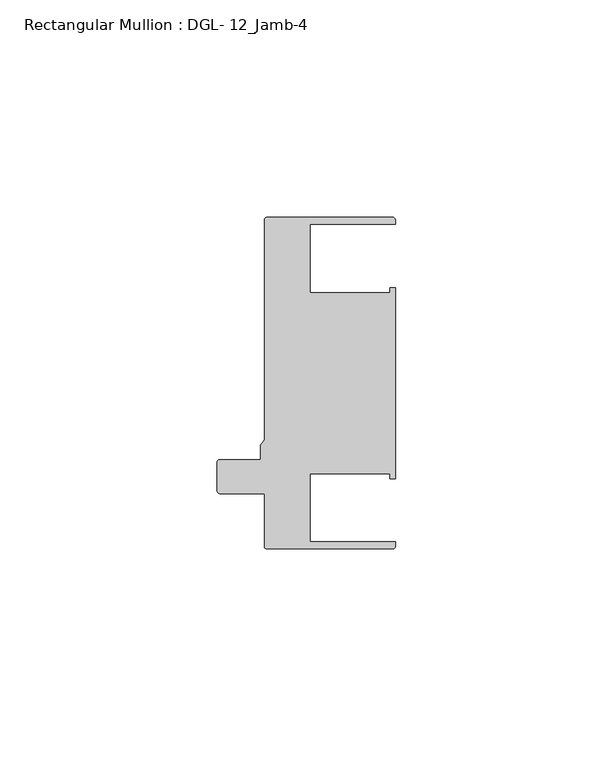
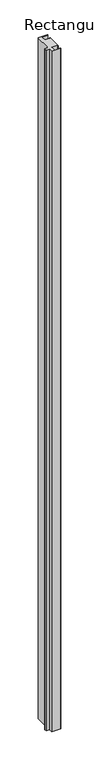
"""IFC4 building model written with IfcOpenShell, lengths in millimetres: member geometry, Rectangular Mullion : DGL- 12_Jamb-4."""

import ifcopenshell
import ifcopenshell.guid

model = None  # the IFC model being written
_history = None  # IfcOwnerHistory: only IFC2X3 demands one
_inside = {}  # id of a spatial element -> (the spatial element, [elements in it])
_under = {}  # id of a project, library or spatial element -> (it, [spatial elements below it])
_declared = {}  # id of a project -> (the project, [libraries it declares])
_typed = {}  # id of a type object -> (the type object, [elements of that type])
_made_of = {}  # id of a material, layer set ... -> (it, [elements and type objects made of it])


def new_model(schema):
    """Start an empty IFC model of exactly this schema.

    Asked for "IFC4X3", IfcOpenShell would pick the latest addendum, in which some entities
    have other attributes; the version numbers below select the first issue.
    IFC2X3 requires an IfcOwnerHistory on every rooted entity: one is made here for all.
    """
    global model, _history
    if schema == "IFC4X3":
        model = ifcopenshell.file(schema_version=(4, 3, 0, 0))
    else:
        model = ifcopenshell.file(schema=schema)
    _inside.clear()
    _under.clear()
    _declared.clear()
    _typed.clear()
    _made_of.clear()
    _history = None
    if model.schema == "IFC2X3":
        org = make("IfcOrganization", Name="unknown")
        user = make(
            "IfcPersonAndOrganization",
            ThePerson=make("IfcPerson", FamilyName="unknown"),
            TheOrganization=org,
        )
        app = make(
            "IfcApplication",
            ApplicationDeveloper=org,
            Version="unknown",
            ApplicationFullName="unknown",
            ApplicationIdentifier="unknown",
        )
        _history = make(
            "IfcOwnerHistory",
            OwningUser=user,
            OwningApplication=app,
            ChangeAction="ADDED",
            CreationDate=0,
        )
    return model


def make(cls, **values):
    """One entity of the class cls with the attributes given. An attribute that is None is left unset."""
    return model.create_entity(
        cls, **{name: value for name, value in values.items() if value is not None}
    )


def rooted(cls, **values):
    """An entity with a GlobalId (a new one), such as an element, a storey or a relation."""
    return make(cls, GlobalId=ifcopenshell.guid.new(), OwnerHistory=_history, **values)


def si_unit(unit_type, name, prefix=None):
    """IfcSIUnit, for example si_unit("LENGTHUNIT", "METRE", prefix="MILLI")."""
    return make("IfcSIUnit", UnitType=unit_type, Prefix=prefix, Name=name)


def assignment(units):
    """IfcUnitAssignment: the units of a project."""
    return None if units is None else make("IfcUnitAssignment", Units=units)


def point(xyz):
    """IfcCartesianPoint."""
    return None if xyz is None else make("IfcCartesianPoint", Coordinates=xyz)


def direction(xyz):
    """IfcDirection."""
    return None if xyz is None else make("IfcDirection", DirectionRatios=xyz)


def frame(location, z_axis=None, x_axis=None):
    """IfcAxis2Placement3D, a coordinate frame: its origin and axes. An axis left out is left unset."""
    return make(
        "IfcAxis2Placement3D",
        Location=point(location),
        Axis=direction(z_axis),
        RefDirection=direction(x_axis),
    )


def frame_2d(location, x_axis=None):
    """IfcAxis2Placement2D, a coordinate frame in the plane: its origin and x axis."""
    return make(
        "IfcAxis2Placement2D", Location=point(location), RefDirection=direction(x_axis)
    )


def origin():
    """The frame at (0, 0, 0) with its axes left unset."""
    return frame((0.0, 0.0, 0.0))


def place(relative_to, where):
    """IfcLocalPlacement: puts the frame where relative to a parent placement (None: the world)."""
    return make(
        "IfcLocalPlacement", PlacementRelTo=relative_to, RelativePlacement=where
    )


def context(
    kind, dimensions, precision=None, world=None, true_north=None, identifier=None
):
    """IfcGeometricRepresentationContext, for example the 3D "Model" context."""
    return make(
        "IfcGeometricRepresentationContext",
        ContextIdentifier=identifier,
        ContextType=kind,
        CoordinateSpaceDimension=dimensions,
        Precision=precision,
        WorldCoordinateSystem=world,
        TrueNorth=true_north,
    )


def project(units=None, contexts=None):
    """IfcProject with its units and contexts."""
    return rooted(
        "IfcProject",
        Name="project",
        RepresentationContexts=contexts,
        UnitsInContext=assignment(units),
    )


def spatial(cls, under=None, at=None, **own):
    """A site, building, storey or space (cls), placed at a placement, below another one or the project."""
    s = rooted(cls, ObjectPlacement=at, **own)
    if under is not None:
        _under.setdefault(under.id(), (under, []))[1].append(s)
    return s


def polyline(points):
    """IfcPolyline through the points."""
    return make("IfcPolyline", Points=[point(p) for p in points])


def circle_curve(where, radius):
    """IfcCircle in the frame where."""
    return make("IfcCircle", Position=where, Radius=radius)


def trimmed(basis, trim1, trim2, sense, master):
    """IfcTrimmedCurve: the piece of a basis curve between two trims."""
    return make(
        "IfcTrimmedCurve",
        BasisCurve=basis,
        Trim1=trim1,
        Trim2=trim2,
        SenseAgreement=sense,
        MasterRepresentation=master,
    )


def segment(curve, same_sense, transition):
    """IfcCompositeCurveSegment."""
    return make(
        "IfcCompositeCurveSegment",
        Transition=transition,
        SameSense=same_sense,
        ParentCurve=curve,
    )


def composite_curve(segments, self_intersect=None):
    """IfcCompositeCurve: segments joined end to end."""
    return make("IfcCompositeCurve", Segments=segments, SelfIntersect=self_intersect)


def outline(outer, holes=None, kind="AREA"):
    """IfcArbitraryClosedProfileDef: a profile drawn as a closed curve; with holes, ...WithVoids."""
    if holes is None:
        return make("IfcArbitraryClosedProfileDef", ProfileType=kind, OuterCurve=outer)
    return make(
        "IfcArbitraryProfileDefWithVoids",
        ProfileType=kind,
        OuterCurve=outer,
        InnerCurves=holes,
    )


def extrude(swept, where, along, depth):
    """IfcExtrudedAreaSolid: the profile swept, set in the frame where, extruded along a direction by depth."""
    return make(
        "IfcExtrudedAreaSolid",
        SweptArea=swept,
        Position=where,
        ExtrudedDirection=direction(along),
        Depth=depth,
    )


def shape(context_of_items, identifier, shape_type, items):
    """IfcShapeRepresentation: the items that make up one representation, for example the "Body"."""
    return make(
        "IfcShapeRepresentation",
        ContextOfItems=context_of_items,
        RepresentationIdentifier=identifier,
        RepresentationType=shape_type,
        Items=items,
    )


def source(mapping_origin, context_of_items, identifier, shape_type, items):
    """IfcRepresentationMap: a shape defined once, which mapped items show again and again."""
    return make(
        "IfcRepresentationMap",
        MappingOrigin=mapping_origin,
        MappedRepresentation=shape(context_of_items, identifier, shape_type, items),
    )


def transform(
    local_origin,
    x_axis=None,
    y_axis=None,
    z_axis=None,
    scale=None,
    scale2=None,
    scale3=None,
    uniform=True,
):
    """IfcCartesianTransformationOperator3D, or its non-uniform kind. x_axis, y_axis, z_axis: its Axis1, 2, 3."""
    if uniform:
        return make(
            "IfcCartesianTransformationOperator3D",
            Axis1=direction(x_axis),
            Axis2=direction(y_axis),
            LocalOrigin=point(local_origin),
            Scale=scale,
            Axis3=direction(z_axis),
        )
    return make(
        "IfcCartesianTransformationOperator3DnonUniform",
        Axis1=direction(x_axis),
        Axis2=direction(y_axis),
        LocalOrigin=point(local_origin),
        Scale=scale,
        Axis3=direction(z_axis),
        Scale2=scale2,
        Scale3=scale3,
    )


def mapped(mapping_source, mapping_target):
    """IfcMappedItem: shows the shape of a source again, moved by a transform."""
    return make(
        "IfcMappedItem", MappingSource=mapping_source, MappingTarget=mapping_target
    )


def made_of(thing, what):
    """Note that an element or type object is made of a material, layer set ...; save() writes the relation."""
    if what is not None:
        _made_of.setdefault(what.id(), (what, []))[1].append(thing)
    return thing


def element(
    cls,
    number,
    at=None,
    inside=None,
    cuts=None,
    type_object=None,
    material=None,
    context=None,
    identifier="Body",
    shape_type=None,
    held_by="IfcProductDefinitionShape",
    body=None,
    shapes=None,
    **own,
):
    """One element of the class cls, such as IfcWall. Its Tag is "e" and its number.

    at: its placement. inside: the storey or other place that contains it. cuts: it is an
    opening in that element (IfcRelVoidsElement). A single representation is given by context,
    identifier, shape_type and body (its items); several are given by shapes. held_by: the class
    of the entity that holds the representations. save() writes the other relations.
    """
    e = rooted(cls, Tag="e%d" % number, ObjectPlacement=at, **own)
    if body is not None:
        shapes = [shape(context, identifier, shape_type, body)]
    if shapes is not None:
        e.Representation = make(held_by, Representations=shapes)
    if inside is not None:
        _inside.setdefault(inside.id(), (inside, []))[1].append(e)
    if cuts is not None:
        rooted(
            "IfcRelVoidsElement", RelatingBuildingElement=cuts, RelatedOpeningElement=e
        )
    if type_object is not None:
        _typed.setdefault(type_object.id(), (type_object, []))[1].append(e)
    return made_of(e, material)


def aggregate(whole, parts):
    """IfcRelAggregates: a whole, such as a stair, and the parts it consists of."""
    return rooted("IfcRelAggregates", RelatingObject=whole, RelatedObjects=parts)


def save(model, path):
    """Write the relations noted so far, then the file.

    IfcRelAggregates (storeys below a building ...), IfcRelContainedInSpatialStructure (elements
    in a storey), IfcRelDefinesByType, IfcRelAssociatesMaterial and IfcRelDeclares: one each for
    every whole, place, type object, material and project.
    """
    for whole, parts in _under.values():
        aggregate(whole, parts)
    for where, things in _inside.values():
        rooted(
            "IfcRelContainedInSpatialStructure",
            RelatedElements=things,
            RelatingStructure=where,
        )
    for kind, things in _typed.values():
        rooted("IfcRelDefinesByType", RelatedObjects=things, RelatingType=kind)
    for what, things in _made_of.values():
        rooted("IfcRelAssociatesMaterial", RelatedObjects=things, RelatingMaterial=what)
    for by, libraries in _declared.values():
        rooted("IfcRelDeclares", RelatingContext=by, RelatedDefinitions=libraries)
    model.write(path)


def rectangular_mullion_dgl_12_jamb_4_69be97b2(model_context):
    return source(origin(), model_context, "Body", "SweptSolid", [
        extrude(outline(composite_curve([segment(polyline([(1.718668, -25.4), (-8.5164544, -25.4)]), True, "CONTINUOUS"), segment(trimmed(circle_curve(frame_2d((-8.5164544, -24.8046875)), 0.5953125), [point((-8.5164544, -25.4))], [point((-9.1117669, -24.8046875))], False, "CARTESIAN"), True, "CONTINUOUS"), segment(polyline([(-9.1117669, -24.8046875), (-9.1117669, -18.1560373)]), True, "CONTINUOUS"), segment(trimmed(circle_curve(frame_2d((-8.5512549, -18.1560373)), 0.560512), [point((-9.1117669, -18.1560373))], [point((-8.5512549, -17.5955253))], False, "CARTESIAN"), True, "CONTINUOUS"), segment(polyline([(-8.5512549, -17.5955253), (0.79375, -17.5955253), (0.79375, -14.2467814), (1.7185838, -12.9738568), (1.7185838, 37.5043667)]), True, "CONTINUOUS"), segment(trimmed(circle_curve(frame_2d((2.3138963, 37.5043667)), 0.5953125), [point((1.7185838, 37.5043667))], [point((2.3138963, 38.0996792))], False, "CARTESIAN"), True, "CONTINUOUS"), segment(polyline([(2.3138963, 38.0996792), (31.2731538, 38.0996792)]), True, "CONTINUOUS"), segment(trimmed(circle_curve(frame_2d((31.2731538, 37.5043667)), 0.5953125), [point((31.2731538, 38.0996792))], [point((31.8684663, 37.5043667))], False, "CARTESIAN"), True, "CONTINUOUS"), segment(polyline([(31.8684663, 37.5043667), (31.8684663, 36.512516), (12.2156802, 36.512516), (12.2156802, 20.8257348), (30.6216313, 20.8257348), (30.6216313, 21.9710976), (31.8775606, 21.9710976), (31.8775606, -21.9710976), (30.6216313, -21.9710976), (30.6216313, -20.8257348), (12.2156802, -20.8257348), (12.2156802, -36.512516), (31.8684663, -36.512516), (31.8684663, -37.5047035)]), True, "CONTINUOUS"), segment(trimmed(circle_curve(frame_2d((31.2731538, -37.5047035)), 0.5953125), [point((31.8684663, -37.5047035))], [point((31.2731538, -38.100016))], False, "CARTESIAN"), True, "CONTINUOUS"), segment(polyline([(31.2731538, -38.100016), (2.3139805, -38.100016)]), True, "CONTINUOUS"), segment(trimmed(circle_curve(frame_2d((2.3139805, -37.5047035)), 0.5953125), [point((2.3139805, -38.100016))], [point((1.718668, -37.5047035))], False, "CARTESIAN"), True, "CONTINUOUS"), segment(polyline([(1.718668, -37.5047035), (1.718668, -25.4)]), True, "CONTINUOUS")], self_intersect=False)), frame((0.0, 0.0, -2339.4622278), z_axis=(0.0, 0.0, 1.0), x_axis=(1.0, 0.0, 0.0)), (0.0, 0.0, 1.0), 2339.4622278),
    ])


if __name__ == "__main__":
    model = new_model("IFC4")
    model_context = context("Model", 3, world=origin())
    ifc_project = project(units=[si_unit("LENGTHUNIT", "METRE", prefix="MILLI")], contexts=[model_context])
    site = spatial("IfcSite", under=ifc_project)
    building = spatial("IfcBuilding", under=site)
    placement = place(None, origin())
    rectangular_mullion_dgl_12_jamb_4_shape = rectangular_mullion_dgl_12_jamb_4_69be97b2(model_context)
    element("IfcMember", 1, ObjectType="Rectangular Mullion : DGL- 12_Jamb-4", at=placement, inside=building, context=model_context, shape_type="MappedRepresentation", body=[
        mapped(rectangular_mullion_dgl_12_jamb_4_shape, transform((0.0, 0.0, 0.0), x_axis=(1.0, 0.0, 0.0), y_axis=(0.0, 1.0, 0.0), z_axis=(0.0, 0.0, 1.0))),
    ])
    save(model, "model.ifc")
